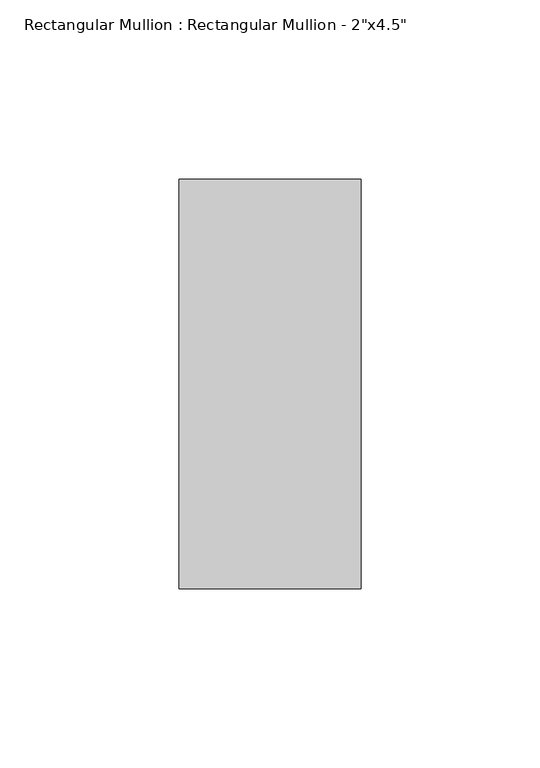
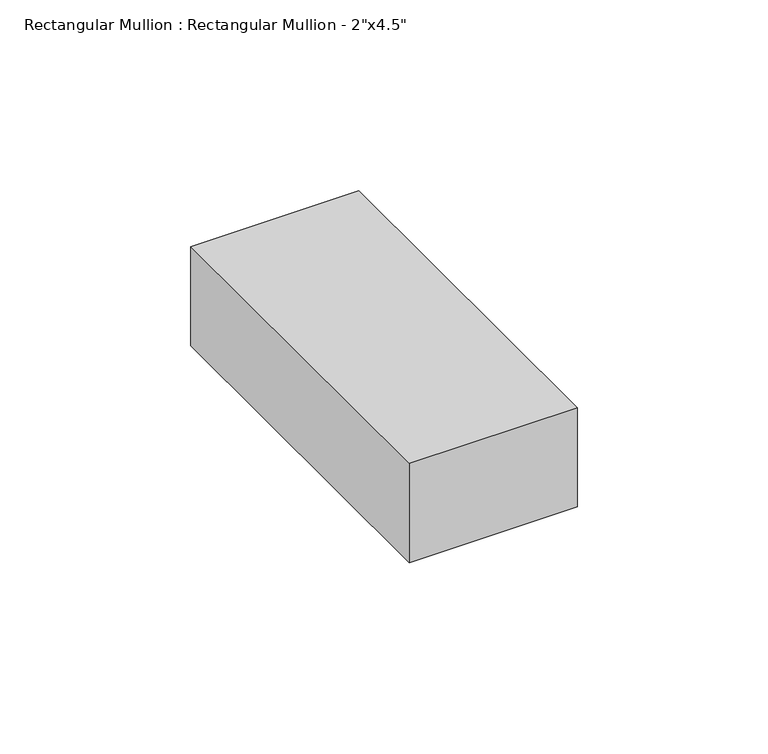
"""IFC4 building model written with IfcOpenShell, lengths in millimetres: member geometry."""

from ifc_helpers import new_model, si_unit, frame, origin, place, context, project, spatial, polyline, outline, extrude, source, transform, mapped, element, save


def member_8d31e509(model_context):
    return source(origin(), model_context, "Body", "SweptSolid", [
        extrude(outline(polyline([(0.0, 57.15), (0.0, -57.15), (-50.8, -57.15), (-50.8, 57.15), (0.0, 57.15)])), frame((0.0, 0.0, -31.75), z_axis=(0.0, 0.0, 1.0), x_axis=(1.0, 0.0, 0.0)), (0.0, 0.0, 1.0), 31.75),
    ])


if __name__ == "__main__":
    model = new_model("IFC4")
    model_context = context("Model", 3, world=origin())
    ifc_project = project(units=[si_unit("LENGTHUNIT", "METRE", prefix="MILLI")], contexts=[model_context])
    site = spatial("IfcSite", under=ifc_project)
    building = spatial("IfcBuilding", under=site)
    placement = place(None, origin())
    member_shape = member_8d31e509(model_context)
    element("IfcMember", 1, ObjectType="Rectangular Mullion : Rectangular Mullion - 2\"x4.5\"", at=placement, inside=building, context=model_context, shape_type="MappedRepresentation", body=[
        mapped(member_shape, transform((0.0, 0.0, 0.0), x_axis=(1.0, 0.0, 0.0), y_axis=(0.0, 1.0, 0.0), z_axis=(0.0, 0.0, 1.0))),
    ])
    save(model, "model.ifc")
